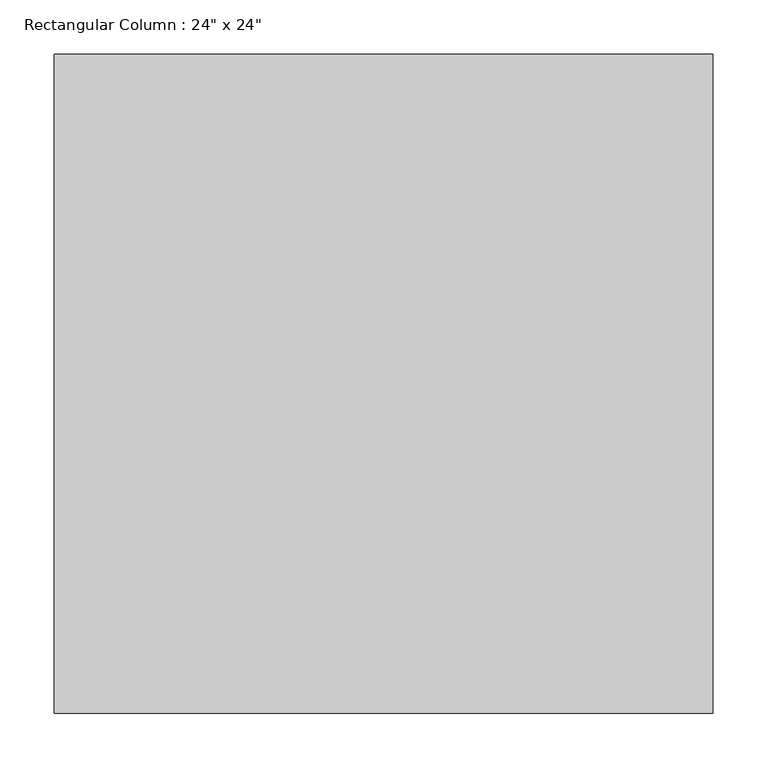
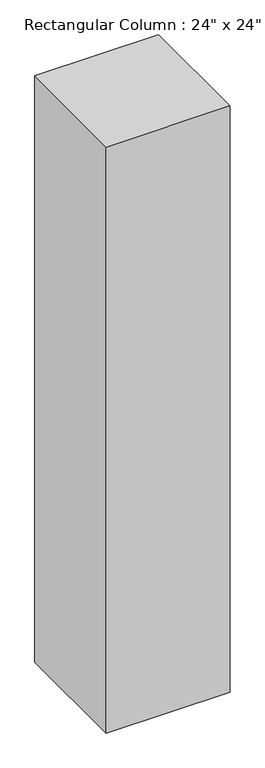
"""IFC4 building model written with IfcOpenShell, lengths in millimetres: column geometry."""

from ifc_helpers import new_model, si_unit, origin, origin_with_axes, place, context, project, spatial, polyline, outline, extrude, source, transform, mapped, element, save


def column_c091e905(model_context):
    return source(origin(), model_context, "Body", "SweptSolid", [
        extrude(outline(polyline([(304.8, 304.8), (304.8, -304.8), (-304.8, -304.8), (-304.8, 304.8), (304.8, 304.8)])), origin_with_axes(), (0.0, 0.0, 1.0), 3048.0),
    ])


if __name__ == "__main__":
    model = new_model("IFC4")
    model_context = context("Model", 3, world=origin())
    ifc_project = project(units=[si_unit("LENGTHUNIT", "METRE", prefix="MILLI")], contexts=[model_context])
    site = spatial("IfcSite", under=ifc_project)
    building = spatial("IfcBuilding", under=site)
    placement = place(None, origin())
    column_shape = column_c091e905(model_context)
    element("IfcColumn", 1, ObjectType="Rectangular Column : 24\" x 24\"", at=placement, inside=building, context=model_context, shape_type="MappedRepresentation", body=[
        mapped(column_shape, transform((0.0, 0.0, 0.0), x_axis=(1.0, 0.0, 0.0), y_axis=(0.0, 1.0, 0.0), z_axis=(0.0, 0.0, 1.0))),
    ])
    save(model, "model.ifc")
